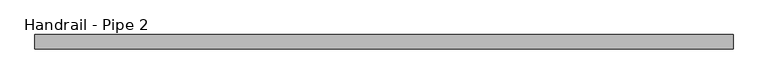
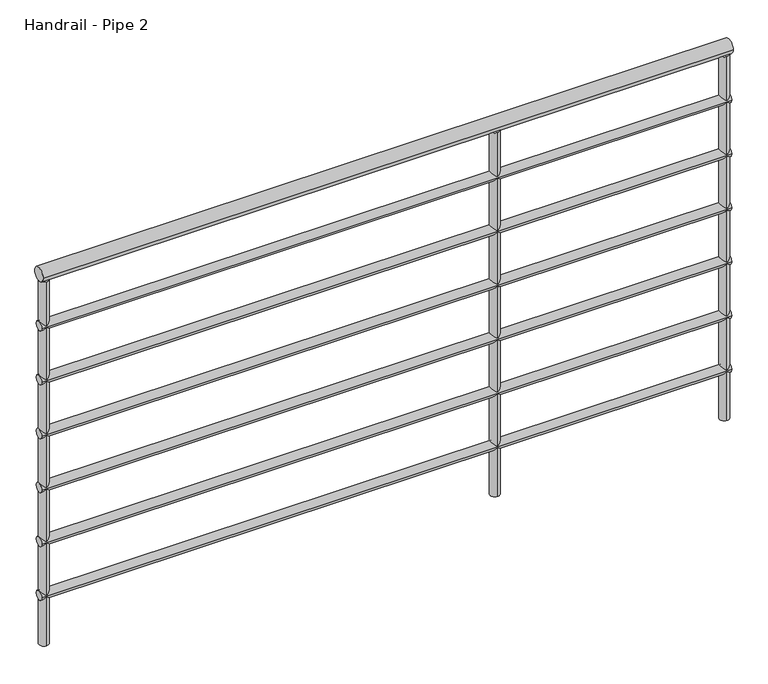
"""IFC4 building model written with IfcOpenShell, lengths in millimetres: railing geometry, Handrail - Pipe 2."""

from ifc_helpers import new_model, si_unit, point, frame, frame_2d, origin, origin_with_axes, place, context, project, spatial, circle_curve, trimmed, segment, composite_curve, outline, extrude, source, transform, mapped, element, save


def handrail_pipe_2_1e932e38(model_context):
    return source(origin(), model_context, "Body", "SweptSolid", [
        extrude(outline(composite_curve([segment(trimmed(circle_curve(frame_2d((-1817.942103, 1047.75)), 19.05), [point((-1836.992103, 1047.75))], [point((-1798.892103, 1047.75))], False, "CARTESIAN"), True, "CONTINUOUS"), segment(trimmed(circle_curve(frame_2d((-1817.942103, 1047.75)), 19.05), [point((-1798.892103, 1047.75))], [point((-1836.992103, 1047.75))], False, "CARTESIAN"), True, "CONTINUOUS")], self_intersect=False)), frame((12275.2487242, 0.0, 0.0), z_axis=(1.0, 0.0, 0.0), x_axis=(0.0, 1.0, 0.0)), (0.0, 0.0, 1.0), 1845.6976046),
        extrude(outline(composite_curve([segment(trimmed(circle_curve(frame_2d((-1817.942103, 901.7)), 12.7), [point((-1830.642103, 901.7))], [point((-1805.242103, 901.7))], False, "CARTESIAN"), True, "CONTINUOUS"), segment(trimmed(circle_curve(frame_2d((-1817.942103, 901.7)), 12.7), [point((-1805.242103, 901.7))], [point((-1830.642103, 901.7))], False, "CARTESIAN"), True, "CONTINUOUS")], self_intersect=False)), frame((12275.2487242, 0.0, 0.0), z_axis=(1.0, 0.0, 0.0), x_axis=(0.0, 1.0, 0.0)), (0.0, 0.0, 1.0), 1845.6976046),
        extrude(outline(composite_curve([segment(trimmed(circle_curve(frame_2d((-1817.942103, 749.3)), 12.7), [point((-1830.642103, 749.3))], [point((-1805.242103, 749.3))], False, "CARTESIAN"), True, "CONTINUOUS"), segment(trimmed(circle_curve(frame_2d((-1817.942103, 749.3)), 12.7), [point((-1805.242103, 749.3))], [point((-1830.642103, 749.3))], False, "CARTESIAN"), True, "CONTINUOUS")], self_intersect=False)), frame((12275.2487242, 0.0, 0.0), z_axis=(1.0, 0.0, 0.0), x_axis=(0.0, 1.0, 0.0)), (0.0, 0.0, 1.0), 1845.6976046),
        extrude(outline(composite_curve([segment(trimmed(circle_curve(frame_2d((-1817.942103, 596.9)), 12.7), [point((-1830.642103, 596.9))], [point((-1805.242103, 596.9))], False, "CARTESIAN"), True, "CONTINUOUS"), segment(trimmed(circle_curve(frame_2d((-1817.942103, 596.9)), 12.7), [point((-1805.242103, 596.9))], [point((-1830.642103, 596.9))], False, "CARTESIAN"), True, "CONTINUOUS")], self_intersect=False)), frame((12275.2487242, 0.0, 0.0), z_axis=(1.0, 0.0, 0.0), x_axis=(0.0, 1.0, 0.0)), (0.0, 0.0, 1.0), 1845.6976046),
        extrude(outline(composite_curve([segment(trimmed(circle_curve(frame_2d((-1817.942103, 444.5)), 12.7), [point((-1830.642103, 444.5))], [point((-1805.242103, 444.5))], False, "CARTESIAN"), True, "CONTINUOUS"), segment(trimmed(circle_curve(frame_2d((-1817.942103, 444.5)), 12.7), [point((-1805.242103, 444.5))], [point((-1830.642103, 444.5))], False, "CARTESIAN"), True, "CONTINUOUS")], self_intersect=False)), frame((12275.2487242, 0.0, 0.0), z_axis=(1.0, 0.0, 0.0), x_axis=(0.0, 1.0, 0.0)), (0.0, 0.0, 1.0), 1845.6976046),
        extrude(outline(composite_curve([segment(trimmed(circle_curve(frame_2d((-1817.942103, 292.1)), 12.7), [point((-1830.642103, 292.1))], [point((-1805.242103, 292.1))], False, "CARTESIAN"), True, "CONTINUOUS"), segment(trimmed(circle_curve(frame_2d((-1817.942103, 292.1)), 12.7), [point((-1805.242103, 292.1))], [point((-1830.642103, 292.1))], False, "CARTESIAN"), True, "CONTINUOUS")], self_intersect=False)), frame((12275.2487242, 0.0, 0.0), z_axis=(1.0, 0.0, 0.0), x_axis=(0.0, 1.0, 0.0)), (0.0, 0.0, 1.0), 1845.6976046),
        extrude(outline(composite_curve([segment(trimmed(circle_curve(frame_2d((-1817.942103, 139.7)), 12.7), [point((-1830.642103, 139.7))], [point((-1805.242103, 139.7))], False, "CARTESIAN"), True, "CONTINUOUS"), segment(trimmed(circle_curve(frame_2d((-1817.942103, 139.7)), 12.7), [point((-1805.242103, 139.7))], [point((-1830.642103, 139.7))], False, "CARTESIAN"), True, "CONTINUOUS")], self_intersect=False)), frame((12275.2487242, 0.0, 0.0), z_axis=(1.0, 0.0, 0.0), x_axis=(0.0, 1.0, 0.0)), (0.0, 0.0, 1.0), 1845.6976046),
        extrude(outline(composite_curve([segment(trimmed(circle_curve(frame_2d((13494.4487242, -1817.942103)), 12.7), [point((13494.4487242, -1830.642103))], [point((13494.4487242, -1805.242103))], False, "CARTESIAN"), True, "CONTINUOUS"), segment(trimmed(circle_curve(frame_2d((13494.4487242, -1817.942103)), 12.7), [point((13494.4487242, -1805.242103))], [point((13494.4487242, -1830.642103))], False, "CARTESIAN"), True, "CONTINUOUS")], self_intersect=False)), origin_with_axes(), (0.0, 0.0, 1.0), 1028.7),
        extrude(outline(composite_curve([segment(trimmed(circle_curve(frame_2d((14108.2463288, -1817.942103)), 12.7), [point((14108.2463288, -1830.642103))], [point((14108.2463288, -1805.242103))], False, "CARTESIAN"), True, "CONTINUOUS"), segment(trimmed(circle_curve(frame_2d((14108.2463288, -1817.942103)), 12.7), [point((14108.2463288, -1805.242103))], [point((14108.2463288, -1830.642103))], False, "CARTESIAN"), True, "CONTINUOUS")], self_intersect=False)), origin_with_axes(), (0.0, 0.0, 1.0), 1028.7),
        extrude(outline(composite_curve([segment(trimmed(circle_curve(frame_2d((12287.9487242, -1817.942103)), 12.7), [point((12287.9487242, -1830.642103))], [point((12287.9487242, -1805.242103))], False, "CARTESIAN"), True, "CONTINUOUS"), segment(trimmed(circle_curve(frame_2d((12287.9487242, -1817.942103)), 12.7), [point((12287.9487242, -1805.242103))], [point((12287.9487242, -1830.642103))], False, "CARTESIAN"), True, "CONTINUOUS")], self_intersect=False)), origin_with_axes(), (0.0, 0.0, 1.0), 1028.7),
    ])


if __name__ == "__main__":
    model = new_model("IFC4")
    model_context = context("Model", 3, world=origin())
    ifc_project = project(units=[si_unit("LENGTHUNIT", "METRE", prefix="MILLI")], contexts=[model_context])
    site = spatial("IfcSite", under=ifc_project)
    building = spatial("IfcBuilding", under=site)
    placement = place(None, origin())
    handrail_pipe_2_shape = handrail_pipe_2_1e932e38(model_context)
    element("IfcRailing", 1, ObjectType="Handrail - Pipe 2", at=placement, inside=building, context=model_context, shape_type="MappedRepresentation", body=[
        mapped(handrail_pipe_2_shape, transform((0.0, 0.0, 0.0), x_axis=(1.0, 0.0, 0.0), y_axis=(0.0, 1.0, 0.0), z_axis=(0.0, 0.0, 1.0))),
    ])
    save(model, "model.ifc")
